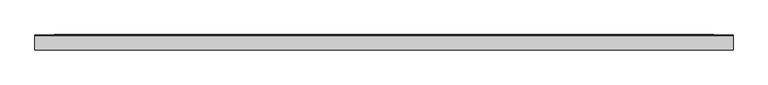
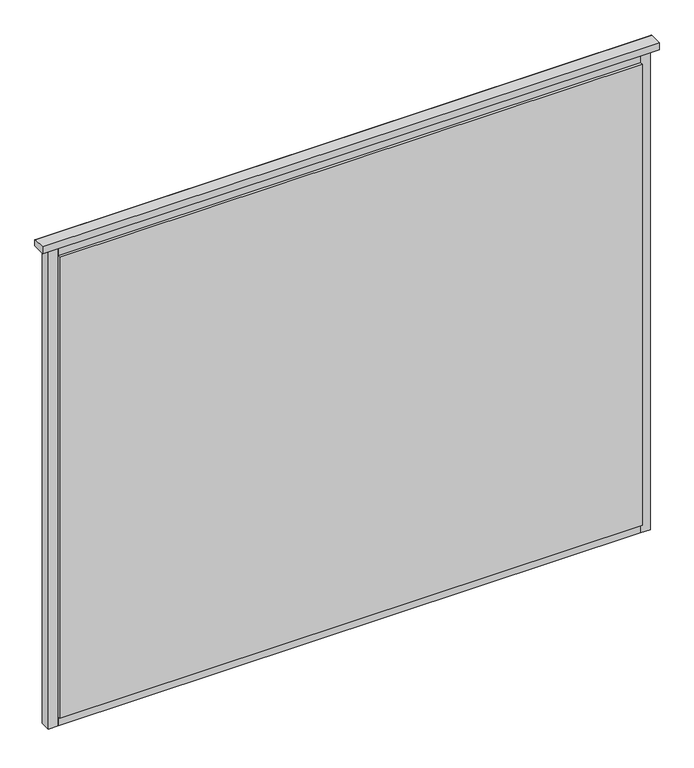
"""IFC4 building model written with IfcOpenShell, lengths in millimetres: plate geometry."""

from ifc_helpers import new_model, si_unit, point, frame, frame_2d, origin, place, context, project, spatial, polyline, circle_curve, trimmed, segment, composite_curve, outline, extrude, source, transform, mapped, element, save
from ifc_brep_helpers import plane_surface, cylinder_surface, advanced_brep


def plate_c728e4b0(model_context):
    return source(origin(), model_context, "Body", "SolidModel", [
        advanced_brep(
        [(636.1111111, 13.8070793, 1036.0002427), (636.1111111, 13.8070793, 1048.4999993), (636.1111111, 12.3070793, 1049.9999993), (636.1111111, -14.0, 1049.9999993), (636.1111111, -14.0, 1035.0), (636.1111111, 12.8070793, 1035.0), (-636.1111111, 13.8070793, 1036.0002427), (-636.1111111, 12.8070793, 1035.0002427), (-636.1111111, -14.0, 1035.0), (-636.1111111, -14.0, 1049.9999993), (-636.1111111, 12.3070793, 1049.9999993), (-636.1111111, 13.8070793, 1048.4999993)],
        [
            (0, 1),
            (1, 2, circle_curve(frame((636.1111111, 12.3070793, 1048.4999993), z_axis=(1.0, 0.0, 0.0), x_axis=(0.0, 1.0, 0.0)), 1.5)),
            (2, 3),
            (3, 4),
            (4, 5),
            (5, 0, circle_curve(frame((636.1111111, 12.8070793, 1036.0002427), z_axis=(1.0, 0.0, 0.0), x_axis=(0.0, 1.0, 0.0)), 1.0)),
            (6, 7, circle_curve(frame((-636.1111111, 12.8070793, 1036.0002427), z_axis=(-1.0, 0.0, 0.0), x_axis=(0.0, 1.0, 0.0)), 1.0)),
            (7, 8),
            (8, 9),
            (9, 10),
            (10, 11, circle_curve(frame((-636.1111111, 12.3070793, 1048.4999993), z_axis=(-1.0, 0.0, 0.0), x_axis=(0.0, 1.0, 0.0)), 1.5)),
            (11, 6),
            (0, 6),
            (11, 1),
            (10, 2),
            (9, 3),
            (8, 4),
            (7, 5),
        ],
        [
            plane_surface(frame((636.1111111, 13.8070793, 1048.4999993), z_axis=(1.0, 0.0, 0.0), x_axis=(0.0, 0.0, 1.0))),
            plane_surface(frame((-636.1111111, 13.8070793, 1048.4999993), z_axis=(-1.0, 0.0, 0.0), x_axis=(0.0, 0.0, -1.0))),
            plane_surface(frame((636.1111111, 13.8070793, 1036.0002427), z_axis=(0.0, 1.0, 0.0), x_axis=(-1.0, 0.0, 0.0))),
            cylinder_surface(frame((-636.1111111, 12.3070793, 1048.4999993), z_axis=(1.0, 0.0, 0.0), x_axis=(0.0, 1.0, 0.0)), 1.5),
            plane_surface(frame((636.1111111, 12.3070793, 1049.9999993), z_axis=(0.0, 0.0, 1.0), x_axis=(-1.0, 0.0, 0.0))),
            plane_surface(frame((636.1111111, -14.0, 1049.9999993), z_axis=(0.0, -1.0, 0.0), x_axis=(-1.0, 0.0, 0.0))),
            plane_surface(frame((636.1111111, -14.0, 1035.0), z_axis=(0.0, 0.0, -1.0), x_axis=(-1.0, 0.0, 0.0))),
            cylinder_surface(frame((-636.1111111, 12.8070793, 1036.0002427), z_axis=(1.0, 0.0, 0.0), x_axis=(0.0, 1.0, 0.0)), 1.0),
        ],
        [
            (0, [[1, 2, 3, 4, 5, 6]]),
            (1, [[7, 8, 9, 10, 11, 12]]),
            (2, [[-1, 13, -12, 14]]),
            (3, [[-2, -14, -11, 15]]),
            (4, [[-3, -15, -10, 16]]),
            (5, [[-4, -16, -9, 17]]),
            (6, [[-5, -17, -8, 18]]),
            (7, [[-6, -18, -7, -13]]),
        ],
    ),
        extrude(outline(polyline([(601.1111111, 14.0), (601.1111111, 8.0), (-601.1111111, 8.0), (-601.1111111, 14.0), (601.1111111, 14.0)])), frame((0.0, 0.0, 10.0), z_axis=(0.0, 0.0, 1.0), x_axis=(1.0, 0.0, 0.0)), (0.0, 0.0, 1.0), 1005.0),
        extrude(outline(polyline([(601.1111111, -8.0), (601.1111111, -14.0), (-601.1111111, -14.0), (-601.1111111, -8.0), (601.1111111, -8.0)])), frame((0.0, 0.0, 10.0), z_axis=(0.0, 0.0, 1.0), x_axis=(1.0, 0.0, 0.0)), (0.0, 0.0, 1.0), 1005.0),
        extrude(outline(composite_curve([segment(polyline([(13.499631, -10.0), (-8.0, -10.0), (-8.0, 10.0), (13.499631, 10.0)]), True, "CONTINUOUS"), segment(trimmed(circle_curve(frame_2d((45.6328576, 0.0)), 33.6532948), [point((13.499631, 10.0))], [point((13.499631, -10.0))], True, "CARTESIAN"), True, "CONTINUOUS")], self_intersect=False)), frame((-601.1111111, 0.0, 0.0), z_axis=(1.0, 0.0, 0.0), x_axis=(0.0, 1.0, 0.0)), (0.0, 0.0, 1.0), 1202.2222222),
        extrude(outline(composite_curve([segment(trimmed(circle_curve(frame_2d((45.6328576, 1025.0)), 33.6532948), [point((13.499631, 1035.0))], [point((13.499631, 1015.0))], True, "CARTESIAN"), True, "CONTINUOUS"), segment(polyline([(13.499631, 1015.0), (-8.0, 1015.0), (-8.0, 1035.0), (13.499631, 1035.0)]), True, "CONTINUOUS")], self_intersect=False)), frame((-601.1111111, 0.0, 0.0), z_axis=(1.0, 0.0, 0.0), x_axis=(0.0, 1.0, 0.0)), (0.0, 0.0, 1.0), 1202.2222222),
        extrude(outline(composite_curve([segment(polyline([(621.1111111, -8.0), (601.1111111, -8.0), (601.1111111, 13.5022002)]), True, "CONTINUOUS"), segment(trimmed(circle_curve(frame_2d((611.0375993, 45.5022747)), 33.5043271), [point((601.1111111, 13.5022002))], [point((621.1111111, 13.548178))], True, "CARTESIAN"), True, "CONTINUOUS"), segment(polyline([(621.1111111, 13.548178), (621.1111111, -8.0)]), True, "CONTINUOUS")], self_intersect=False)), frame((0.0, 0.0, -10.0), z_axis=(0.0, 0.0, 1.0), x_axis=(1.0, 0.0, 0.0)), (0.0, 0.0, 1.0), 1045.0),
        extrude(outline(composite_curve([segment(polyline([(-601.1111111, -8.0), (-621.1111111, -8.0), (-621.1111111, 13.499631)]), True, "CONTINUOUS"), segment(trimmed(circle_curve(frame_2d((-611.1111111, 45.6328576)), 33.6532948), [point((-621.1111111, 13.499631))], [point((-601.1111111, 13.499631))], True, "CARTESIAN"), True, "CONTINUOUS"), segment(polyline([(-601.1111111, 13.499631), (-601.1111111, -8.0)]), True, "CONTINUOUS")], self_intersect=False)), frame((0.0, 0.0, -10.0), z_axis=(0.0, 0.0, 1.0), x_axis=(1.0, 0.0, 0.0)), (0.0, 0.0, 1.0), 1045.0),
    ])


if __name__ == "__main__":
    model = new_model("IFC4")
    model_context = context("Model", 3, world=origin())
    ifc_project = project(units=[si_unit("LENGTHUNIT", "METRE", prefix="MILLI")], contexts=[model_context])
    site = spatial("IfcSite", under=ifc_project)
    building = spatial("IfcBuilding", under=site)
    placement = place(None, origin())
    plate_shape = plate_c728e4b0(model_context)
    element("IfcPlate", 1, at=placement, inside=building, context=model_context, shape_type="MappedRepresentation", body=[
        mapped(plate_shape, transform((0.0, 0.0, 0.0), x_axis=(1.0, 0.0, 0.0), y_axis=(0.0, 1.0, 0.0), z_axis=(0.0, 0.0, 1.0))),
    ])
    save(model, "model.ifc")
